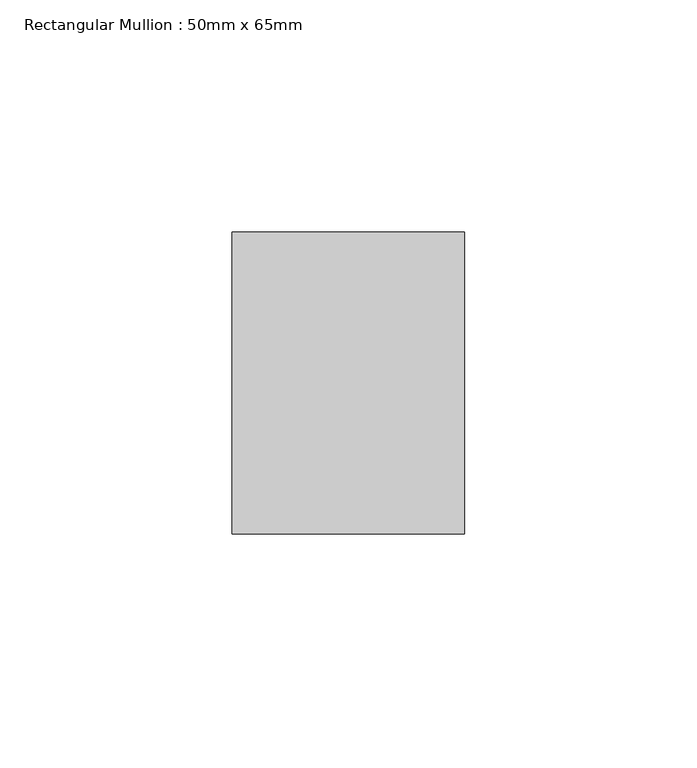
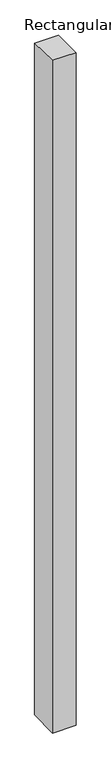
"""IFC4 building model written with IfcOpenShell, lengths in millimetres: member geometry, Rectangular Mullion : 50mm x 65mm."""

from ifc_helpers import new_model, si_unit, origin, place, context, project, spatial, faceted_brep, source, transform, mapped, element, save


def rectangular_mullion_50mm_x_65mm_f00e600a(model_context):
    return source(origin(), model_context, "Body", "Brep", [
        faceted_brep([(-25.0, 32.5, -0.5683173), (25.0, 32.5, -0.5683216), (25.0, 32.5, -1499.2874306), (-25.0, 32.5, -1499.2874361), (-25.0, -32.5, 0.5683216), (-25.0, -32.5, -1500.7128515), (25.0, -32.5, 0.5683173), (25.0, -32.5, -1500.712846)], [[[0, 1, 2, 3]], [[4, 0, 3, 5]], [[6, 4, 5, 7]], [[1, 6, 7, 2]], [[1, 0, 4, 6]], [[2, 7, 5, 3]]]),
    ])


if __name__ == "__main__":
    model = new_model("IFC4")
    model_context = context("Model", 3, world=origin())
    ifc_project = project(units=[si_unit("LENGTHUNIT", "METRE", prefix="MILLI")], contexts=[model_context])
    site = spatial("IfcSite", under=ifc_project)
    building = spatial("IfcBuilding", under=site)
    placement = place(None, origin())
    rectangular_mullion_50mm_x_65mm_shape = rectangular_mullion_50mm_x_65mm_f00e600a(model_context)
    element("IfcMember", 1, ObjectType="Rectangular Mullion : 50mm x 65mm", at=placement, inside=building, context=model_context, shape_type="MappedRepresentation", body=[
        mapped(rectangular_mullion_50mm_x_65mm_shape, transform((0.0, 0.0, 0.0), x_axis=(1.0, 0.0, 0.0), y_axis=(0.0, 1.0, 0.0), z_axis=(0.0, 0.0, 1.0))),
    ])
    save(model, "model.ifc")
